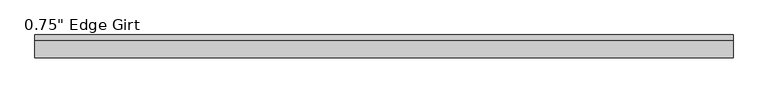
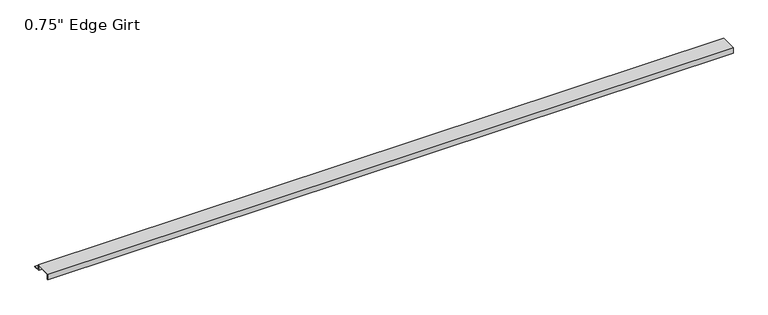
"""IFC4 building model written with IfcOpenShell, lengths in millimetres: proxy geometry."""

from ifc_helpers import new_model, si_unit, frame, origin, place, context, project, spatial, polyline, outline, extrude, source, transform, mapped, element, save


def proxy_4a300831(model_context):
    return source(origin(), model_context, "Body", "SweptSolid", [
        extrude(outline(polyline([(46.0559645, -17.4375), (25.4, -17.4375), (25.4, 0.0), (-25.4, 0.0), (-25.4, -17.4375), (-27.0129, -17.4375), (-27.0129, 1.6129), (27.0129, 1.6129), (27.0129, -15.8242), (46.0559645, -15.8242), (46.0559645, -17.4375)])), frame((0.0, 0.0, 0.0), z_axis=(1.0, 0.0, 0.0), x_axis=(0.0, 1.0, 0.0)), (0.0, 0.0, 1.0), 2246.3161067),
    ])


if __name__ == "__main__":
    model = new_model("IFC4")
    model_context = context("Model", 3, world=origin())
    ifc_project = project(units=[si_unit("LENGTHUNIT", "METRE", prefix="MILLI")], contexts=[model_context])
    site = spatial("IfcSite", under=ifc_project)
    building = spatial("IfcBuilding", under=site)
    placement = place(None, origin())
    proxy_shape = proxy_4a300831(model_context)
    element("IfcBuildingElementProxy", 1, Name="0.75\" Edge Girt", ObjectType="0.75\" Edge Girt", at=placement, inside=building, context=model_context, shape_type="MappedRepresentation", body=[
        mapped(proxy_shape, transform((0.0, 0.0, 0.0), x_axis=(1.0, 0.0, 0.0), y_axis=(0.0, 1.0, 0.0), z_axis=(0.0, 0.0, 1.0))),
    ])
    save(model, "model.ifc")
